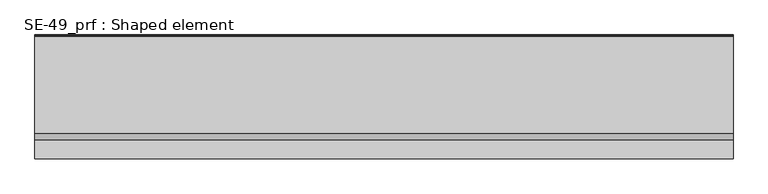
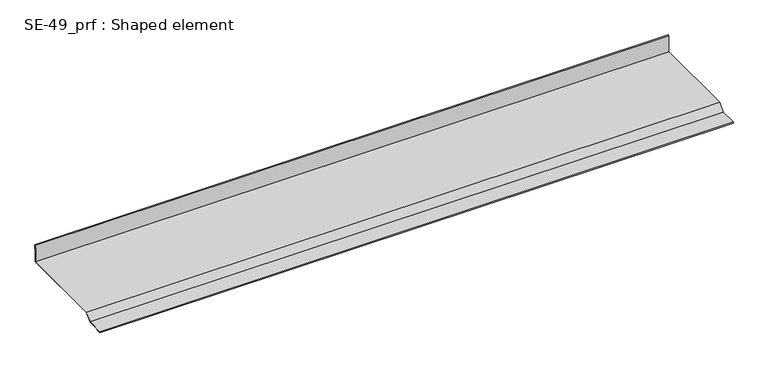
"""IFC4 building model written with IfcOpenShell, lengths in millimetres: proxy geometry, SE-49_prf : Shaped element."""

import ifcopenshell
import ifcopenshell.guid

model = None  # the IFC model being written
_history = None  # IfcOwnerHistory: only IFC2X3 demands one
_inside = {}  # id of a spatial element -> (the spatial element, [elements in it])
_under = {}  # id of a project, library or spatial element -> (it, [spatial elements below it])
_declared = {}  # id of a project -> (the project, [libraries it declares])
_typed = {}  # id of a type object -> (the type object, [elements of that type])
_made_of = {}  # id of a material, layer set ... -> (it, [elements and type objects made of it])


def new_model(schema):
    """Start an empty IFC model of exactly this schema.

    Asked for "IFC4X3", IfcOpenShell would pick the latest addendum, in which some entities
    have other attributes; the version numbers below select the first issue.
    IFC2X3 requires an IfcOwnerHistory on every rooted entity: one is made here for all.
    """
    global model, _history
    if schema == "IFC4X3":
        model = ifcopenshell.file(schema_version=(4, 3, 0, 0))
    else:
        model = ifcopenshell.file(schema=schema)
    _inside.clear()
    _under.clear()
    _declared.clear()
    _typed.clear()
    _made_of.clear()
    _history = None
    if model.schema == "IFC2X3":
        org = make("IfcOrganization", Name="unknown")
        user = make(
            "IfcPersonAndOrganization",
            ThePerson=make("IfcPerson", FamilyName="unknown"),
            TheOrganization=org,
        )
        app = make(
            "IfcApplication",
            ApplicationDeveloper=org,
            Version="unknown",
            ApplicationFullName="unknown",
            ApplicationIdentifier="unknown",
        )
        _history = make(
            "IfcOwnerHistory",
            OwningUser=user,
            OwningApplication=app,
            ChangeAction="ADDED",
            CreationDate=0,
        )
    return model


def make(cls, **values):
    """One entity of the class cls with the attributes given. An attribute that is None is left unset."""
    return model.create_entity(
        cls, **{name: value for name, value in values.items() if value is not None}
    )


def rooted(cls, **values):
    """An entity with a GlobalId (a new one), such as an element, a storey or a relation."""
    return make(cls, GlobalId=ifcopenshell.guid.new(), OwnerHistory=_history, **values)


def si_unit(unit_type, name, prefix=None):
    """IfcSIUnit, for example si_unit("LENGTHUNIT", "METRE", prefix="MILLI")."""
    return make("IfcSIUnit", UnitType=unit_type, Prefix=prefix, Name=name)


def assignment(units):
    """IfcUnitAssignment: the units of a project."""
    return None if units is None else make("IfcUnitAssignment", Units=units)


def point(xyz):
    """IfcCartesianPoint."""
    return None if xyz is None else make("IfcCartesianPoint", Coordinates=xyz)


def direction(xyz):
    """IfcDirection."""
    return None if xyz is None else make("IfcDirection", DirectionRatios=xyz)


def frame(location, z_axis=None, x_axis=None):
    """IfcAxis2Placement3D, a coordinate frame: its origin and axes. An axis left out is left unset."""
    return make(
        "IfcAxis2Placement3D",
        Location=point(location),
        Axis=direction(z_axis),
        RefDirection=direction(x_axis),
    )


def origin():
    """The frame at (0, 0, 0) with its axes left unset."""
    return frame((0.0, 0.0, 0.0))


def place(relative_to, where):
    """IfcLocalPlacement: puts the frame where relative to a parent placement (None: the world)."""
    return make(
        "IfcLocalPlacement", PlacementRelTo=relative_to, RelativePlacement=where
    )


def context(
    kind, dimensions, precision=None, world=None, true_north=None, identifier=None
):
    """IfcGeometricRepresentationContext, for example the 3D "Model" context."""
    return make(
        "IfcGeometricRepresentationContext",
        ContextIdentifier=identifier,
        ContextType=kind,
        CoordinateSpaceDimension=dimensions,
        Precision=precision,
        WorldCoordinateSystem=world,
        TrueNorth=true_north,
    )


def project(units=None, contexts=None):
    """IfcProject with its units and contexts."""
    return rooted(
        "IfcProject",
        Name="project",
        RepresentationContexts=contexts,
        UnitsInContext=assignment(units),
    )


def spatial(cls, under=None, at=None, **own):
    """A site, building, storey or space (cls), placed at a placement, below another one or the project."""
    s = rooted(cls, ObjectPlacement=at, **own)
    if under is not None:
        _under.setdefault(under.id(), (under, []))[1].append(s)
    return s


def polyline(points):
    """IfcPolyline through the points."""
    return make("IfcPolyline", Points=[point(p) for p in points])


def outline(outer, holes=None, kind="AREA"):
    """IfcArbitraryClosedProfileDef: a profile drawn as a closed curve; with holes, ...WithVoids."""
    if holes is None:
        return make("IfcArbitraryClosedProfileDef", ProfileType=kind, OuterCurve=outer)
    return make(
        "IfcArbitraryProfileDefWithVoids",
        ProfileType=kind,
        OuterCurve=outer,
        InnerCurves=holes,
    )


def extrude(swept, where, along, depth):
    """IfcExtrudedAreaSolid: the profile swept, set in the frame where, extruded along a direction by depth."""
    return make(
        "IfcExtrudedAreaSolid",
        SweptArea=swept,
        Position=where,
        ExtrudedDirection=direction(along),
        Depth=depth,
    )


def shape(context_of_items, identifier, shape_type, items):
    """IfcShapeRepresentation: the items that make up one representation, for example the "Body"."""
    return make(
        "IfcShapeRepresentation",
        ContextOfItems=context_of_items,
        RepresentationIdentifier=identifier,
        RepresentationType=shape_type,
        Items=items,
    )


def source(mapping_origin, context_of_items, identifier, shape_type, items):
    """IfcRepresentationMap: a shape defined once, which mapped items show again and again."""
    return make(
        "IfcRepresentationMap",
        MappingOrigin=mapping_origin,
        MappedRepresentation=shape(context_of_items, identifier, shape_type, items),
    )


def transform(
    local_origin,
    x_axis=None,
    y_axis=None,
    z_axis=None,
    scale=None,
    scale2=None,
    scale3=None,
    uniform=True,
):
    """IfcCartesianTransformationOperator3D, or its non-uniform kind. x_axis, y_axis, z_axis: its Axis1, 2, 3."""
    if uniform:
        return make(
            "IfcCartesianTransformationOperator3D",
            Axis1=direction(x_axis),
            Axis2=direction(y_axis),
            LocalOrigin=point(local_origin),
            Scale=scale,
            Axis3=direction(z_axis),
        )
    return make(
        "IfcCartesianTransformationOperator3DnonUniform",
        Axis1=direction(x_axis),
        Axis2=direction(y_axis),
        LocalOrigin=point(local_origin),
        Scale=scale,
        Axis3=direction(z_axis),
        Scale2=scale2,
        Scale3=scale3,
    )


def mapped(mapping_source, mapping_target):
    """IfcMappedItem: shows the shape of a source again, moved by a transform."""
    return make(
        "IfcMappedItem", MappingSource=mapping_source, MappingTarget=mapping_target
    )


def made_of(thing, what):
    """Note that an element or type object is made of a material, layer set ...; save() writes the relation."""
    if what is not None:
        _made_of.setdefault(what.id(), (what, []))[1].append(thing)
    return thing


def element(
    cls,
    number,
    at=None,
    inside=None,
    cuts=None,
    type_object=None,
    material=None,
    context=None,
    identifier="Body",
    shape_type=None,
    held_by="IfcProductDefinitionShape",
    body=None,
    shapes=None,
    **own,
):
    """One element of the class cls, such as IfcWall. Its Tag is "e" and its number.

    at: its placement. inside: the storey or other place that contains it. cuts: it is an
    opening in that element (IfcRelVoidsElement). A single representation is given by context,
    identifier, shape_type and body (its items); several are given by shapes. held_by: the class
    of the entity that holds the representations. save() writes the other relations.
    """
    e = rooted(cls, Tag="e%d" % number, ObjectPlacement=at, **own)
    if body is not None:
        shapes = [shape(context, identifier, shape_type, body)]
    if shapes is not None:
        e.Representation = make(held_by, Representations=shapes)
    if inside is not None:
        _inside.setdefault(inside.id(), (inside, []))[1].append(e)
    if cuts is not None:
        rooted(
            "IfcRelVoidsElement", RelatingBuildingElement=cuts, RelatedOpeningElement=e
        )
    if type_object is not None:
        _typed.setdefault(type_object.id(), (type_object, []))[1].append(e)
    return made_of(e, material)


def aggregate(whole, parts):
    """IfcRelAggregates: a whole, such as a stair, and the parts it consists of."""
    return rooted("IfcRelAggregates", RelatingObject=whole, RelatedObjects=parts)


def save(model, path):
    """Write the relations noted so far, then the file.

    IfcRelAggregates (storeys below a building ...), IfcRelContainedInSpatialStructure (elements
    in a storey), IfcRelDefinesByType, IfcRelAssociatesMaterial and IfcRelDeclares: one each for
    every whole, place, type object, material and project.
    """
    for whole, parts in _under.values():
        aggregate(whole, parts)
    for where, things in _inside.values():
        rooted(
            "IfcRelContainedInSpatialStructure",
            RelatedElements=things,
            RelatingStructure=where,
        )
    for kind, things in _typed.values():
        rooted("IfcRelDefinesByType", RelatedObjects=things, RelatingType=kind)
    for what, things in _made_of.values():
        rooted("IfcRelAssociatesMaterial", RelatedObjects=things, RelatingMaterial=what)
    for by, libraries in _declared.values():
        rooted("IfcRelDeclares", RelatingContext=by, RelatedDefinitions=libraries)
    model.write(path)


def se_49_prf_shaped_element_fef35e48(model_context):
    return source(origin(), model_context, "Body", "SweptSolid", [
        extrude(outline(polyline([(-65.0, 5.0), (-50.0, 20.0), (158.9998477, 20.0), (158.2846036, 60.9763031), (161.2841467, 61.0286603), (161.4805926, 49.7742843), (160.4807449, 49.7568318), (160.3017514, 60.0113602), (159.3019037, 59.9939078), (160.0, 20.0), (160.0, 19.0), (-49.5857864, 19.0), (-64.5857864, 4.0), (-104.0, 4.0), (-104.0, 3.0), (-95.0, 3.0), (-95.0, 2.0), (-105.0, 2.0), (-105.0, 5.0), (-65.0, 5.0)])), frame((0.0, 0.0, 0.0), z_axis=(1.0, 0.0, 0.0), x_axis=(0.0, 1.0, 0.0)), (0.0, 0.0, 1.0), 1500.0),
    ])


if __name__ == "__main__":
    model = new_model("IFC4")
    model_context = context("Model", 3, world=origin())
    ifc_project = project(units=[si_unit("LENGTHUNIT", "METRE", prefix="MILLI")], contexts=[model_context])
    site = spatial("IfcSite", under=ifc_project)
    building = spatial("IfcBuilding", under=site)
    placement = place(None, origin())
    se_49_prf_shaped_element_shape = se_49_prf_shaped_element_fef35e48(model_context)
    element("IfcBuildingElementProxy", 1, Name="SE-49_prf : Shaped element", ObjectType="SE-49_prf : Shaped element", at=placement, inside=building, context=model_context, shape_type="MappedRepresentation", body=[
        mapped(se_49_prf_shaped_element_shape, transform((0.0, 0.0, 0.0), x_axis=(1.0, 0.0, 0.0), y_axis=(0.0, 1.0, 0.0), z_axis=(0.0, 0.0, 1.0))),
    ])
    save(model, "model.ifc")
